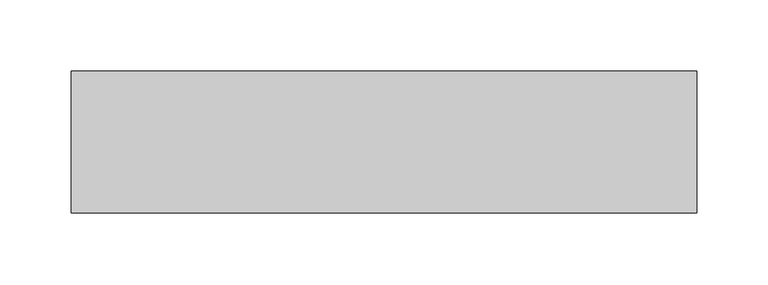
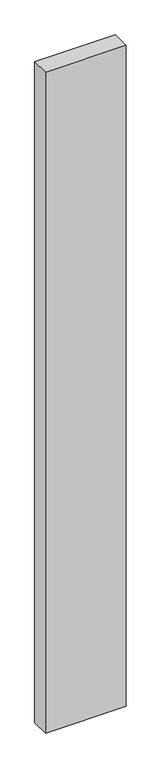
"""IFC4 building model written with IfcOpenShell, lengths in millimetres: proxy geometry."""

from ifc_helpers import new_model, si_unit, frame, origin, place, context, project, spatial, polyline, outline, extrude, source, transform, mapped, element, save


def generic_models_055103be(model_context):
    return source(origin(), model_context, "Body", "SweptSolid", [
        extrude(outline(polyline([(440.0, 100.0), (440.0, 0.0), (0.0, 0.0), (0.0, 100.0), (440.0, 100.0)])), frame((0.0, 0.0, -3800.0), z_axis=(0.0, 0.0, 1.0), x_axis=(1.0, 0.0, 0.0)), (0.0, 0.0, 1.0), 3800.0),
    ])


if __name__ == "__main__":
    model = new_model("IFC4")
    model_context = context("Model", 3, world=origin())
    ifc_project = project(units=[si_unit("LENGTHUNIT", "METRE", prefix="MILLI")], contexts=[model_context])
    site = spatial("IfcSite", under=ifc_project)
    building = spatial("IfcBuilding", under=site)
    placement = place(None, origin())
    generic_models_shape = generic_models_055103be(model_context)
    element("IfcBuildingElementProxy", 1, Name="Generic Models", at=placement, inside=building, context=model_context, shape_type="MappedRepresentation", body=[
        mapped(generic_models_shape, transform((0.0, 0.0, 0.0), x_axis=(1.0, 0.0, 0.0), y_axis=(0.0, 1.0, 0.0), z_axis=(0.0, 0.0, 1.0))),
    ])
    save(model, "model.ifc")
